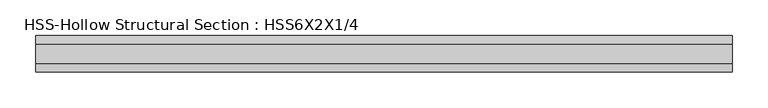
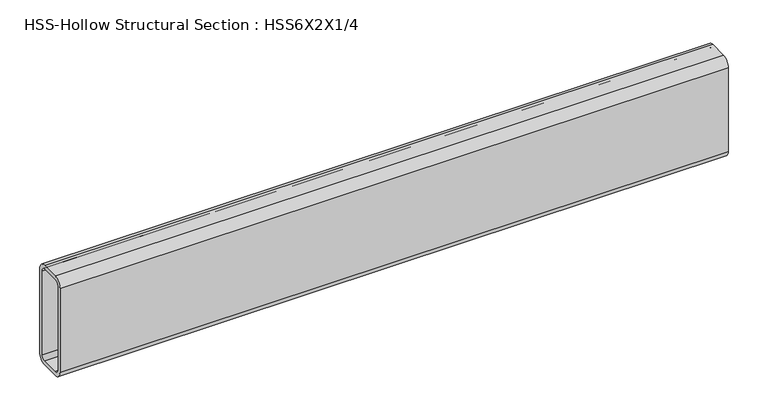
"""IFC4 building model written with IfcOpenShell, lengths in millimetres: beam geometry, HSS-Hollow Structural Section : HSS6X2X1/4."""

from ifc_helpers import new_model, si_unit, point, frame, frame_2d, origin, place, context, project, spatial, polyline, circle_curve, trimmed, segment, composite_curve, outline, extrude, source, transform, mapped, element, save


def hss_hollow_structural_section_hss6x2x1_4_9dbe2748(model_context):
    return source(origin(), model_context, "Body", "SweptSolid", [
        extrude(outline(composite_curve([segment(polyline([(25.4, 64.3636), (25.4, -64.3636)]), True, "CONTINUOUS"), segment(trimmed(circle_curve(frame_2d((13.5636, -64.3636)), 11.8364), [point((25.4, -64.3636))], [point((13.5636, -76.2))], False, "CARTESIAN"), True, "CONTINUOUS"), segment(polyline([(13.5636, -76.2), (-13.5636, -76.2)]), True, "CONTINUOUS"), segment(trimmed(circle_curve(frame_2d((-13.5636, -64.3636)), 11.8364), [point((-13.5636, -76.2))], [point((-25.4, -64.3636))], False, "CARTESIAN"), True, "CONTINUOUS"), segment(polyline([(-25.4, -64.3636), (-25.4, 64.3636)]), True, "CONTINUOUS"), segment(trimmed(circle_curve(frame_2d((-13.5636, 64.3636)), 11.8364), [point((-25.4, 64.3636))], [point((-13.5636, 76.2))], False, "CARTESIAN"), True, "CONTINUOUS"), segment(polyline([(-13.5636, 76.2), (13.5636, 76.2)]), True, "CONTINUOUS"), segment(trimmed(circle_curve(frame_2d((13.5636, 64.3636)), 11.8364), [point((13.5636, 76.2))], [point((25.4, 64.3636))], False, "CARTESIAN"), True, "CONTINUOUS")], self_intersect=False), holes=[composite_curve([segment(trimmed(circle_curve(frame_2d((-13.5636, 64.3636)), 5.9182), [point((-13.5636, 70.2818))], [point((-19.4818, 64.3636))], True, "CARTESIAN"), True, "CONTINUOUS"), segment(polyline([(-19.4818, 64.3636), (-19.4818, -64.3636)]), True, "CONTINUOUS"), segment(trimmed(circle_curve(frame_2d((-13.5636, -64.3636)), 5.9182), [point((-19.4818, -64.3636))], [point((-13.5636, -70.2818))], True, "CARTESIAN"), True, "CONTINUOUS"), segment(polyline([(-13.5636, -70.2818), (13.5636, -70.2818)]), True, "CONTINUOUS"), segment(trimmed(circle_curve(frame_2d((13.5636, -64.3636)), 5.9182), [point((13.5636, -70.2818))], [point((19.4818, -64.3636))], True, "CARTESIAN"), True, "CONTINUOUS"), segment(polyline([(19.4818, -64.3636), (19.4818, 64.3636)]), True, "CONTINUOUS"), segment(trimmed(circle_curve(frame_2d((13.5636, 64.3636)), 5.9182), [point((19.4818, 64.3636))], [point((13.5636, 70.2818))], True, "CARTESIAN"), True, "CONTINUOUS"), segment(polyline([(13.5636, 70.2818), (-13.5636, 70.2818)]), True, "CONTINUOUS")], self_intersect=False)]), frame((-484.8671136, 0.0, 0.0), z_axis=(1.0, 0.0, 0.0), x_axis=(0.0, 1.0, 0.0)), (0.0, 0.0, 1.0), 969.3086136),
    ])


if __name__ == "__main__":
    model = new_model("IFC4")
    model_context = context("Model", 3, world=origin())
    ifc_project = project(units=[si_unit("LENGTHUNIT", "METRE", prefix="MILLI")], contexts=[model_context])
    site = spatial("IfcSite", under=ifc_project)
    building = spatial("IfcBuilding", under=site)
    placement = place(None, origin())
    hss_hollow_structural_section_hss6x2x1_4_shape = hss_hollow_structural_section_hss6x2x1_4_9dbe2748(model_context)
    element("IfcBeam", 1, ObjectType="HSS-Hollow Structural Section : HSS6X2X1/4", at=placement, inside=building, context=model_context, shape_type="MappedRepresentation", body=[
        mapped(hss_hollow_structural_section_hss6x2x1_4_shape, transform((0.0, 0.0, 0.0), x_axis=(1.0, 0.0, 0.0), y_axis=(0.0, 1.0, 0.0), z_axis=(0.0, 0.0, 1.0))),
    ])
    save(model, "model.ifc")
